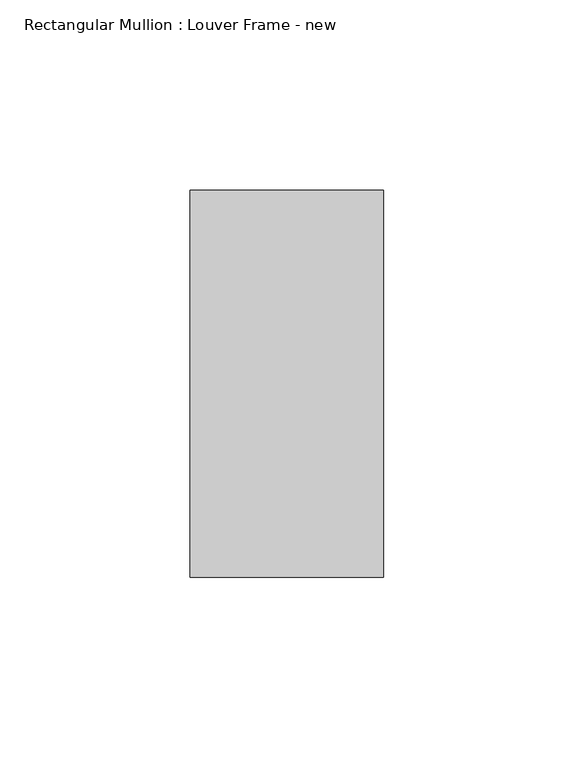
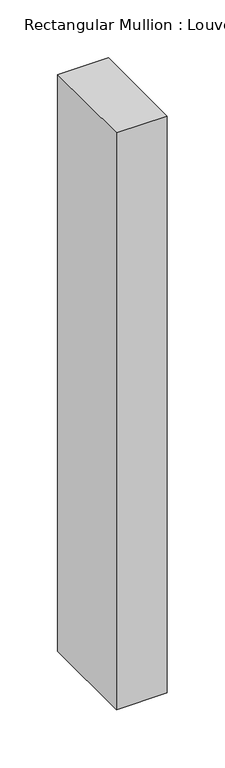
"""IFC4 building model written with IfcOpenShell, lengths in millimetres: member geometry, Rectangular Mullion : Louver Frame - new."""

from ifc_helpers import new_model, si_unit, frame, origin, place, context, project, spatial, polyline, outline, extrude, source, transform, mapped, element, save


def rectangular_mullion_louver_frame_new_74150064(model_context):
    return source(origin(), model_context, "Body", "SweptSolid", [
        extrude(outline(polyline([(0.0, 50.8), (0.0, -50.8), (-50.8, -50.8), (-50.8, 50.8), (0.0, 50.8)])), frame((0.0, 0.0, -609.6), z_axis=(0.0, 0.0, 1.0), x_axis=(1.0, 0.0, 0.0)), (0.0, 0.0, 1.0), 609.6),
    ])


if __name__ == "__main__":
    model = new_model("IFC4")
    model_context = context("Model", 3, world=origin())
    ifc_project = project(units=[si_unit("LENGTHUNIT", "METRE", prefix="MILLI")], contexts=[model_context])
    site = spatial("IfcSite", under=ifc_project)
    building = spatial("IfcBuilding", under=site)
    placement = place(None, origin())
    rectangular_mullion_louver_frame_new_shape = rectangular_mullion_louver_frame_new_74150064(model_context)
    element("IfcMember", 1, ObjectType="Rectangular Mullion : Louver Frame - new", at=placement, inside=building, context=model_context, shape_type="MappedRepresentation", body=[
        mapped(rectangular_mullion_louver_frame_new_shape, transform((0.0, 0.0, 0.0), x_axis=(1.0, 0.0, 0.0), y_axis=(0.0, 1.0, 0.0), z_axis=(0.0, 0.0, 1.0))),
    ])
    save(model, "model.ifc")
